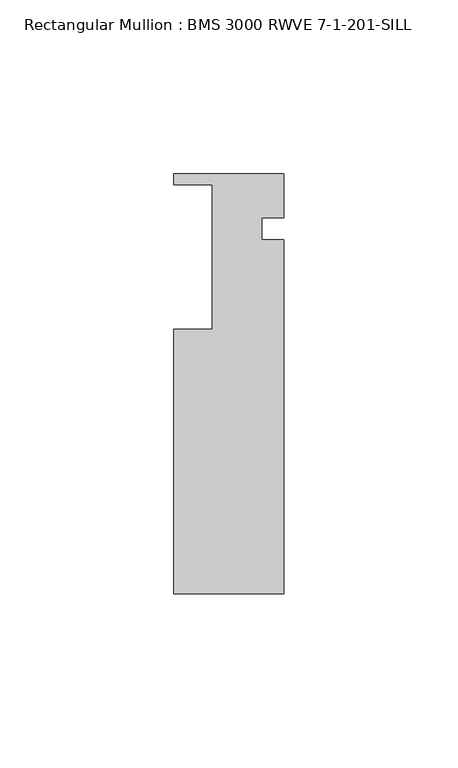
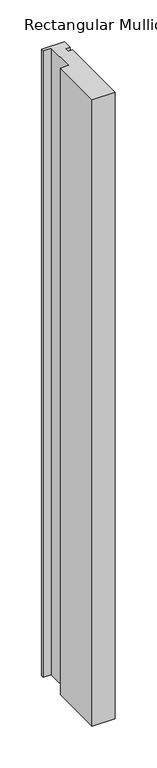
"""IFC4 building model written with IfcOpenShell, lengths in millimetres: member geometry, Rectangular Mullion : BMS 3000 RWVE 7-1-201-SILL."""

import ifcopenshell
import ifcopenshell.guid

model = None  # the IFC model being written
_history = None  # IfcOwnerHistory: only IFC2X3 demands one
_inside = {}  # id of a spatial element -> (the spatial element, [elements in it])
_under = {}  # id of a project, library or spatial element -> (it, [spatial elements below it])
_declared = {}  # id of a project -> (the project, [libraries it declares])
_typed = {}  # id of a type object -> (the type object, [elements of that type])
_made_of = {}  # id of a material, layer set ... -> (it, [elements and type objects made of it])


def new_model(schema):
    """Start an empty IFC model of exactly this schema.

    Asked for "IFC4X3", IfcOpenShell would pick the latest addendum, in which some entities
    have other attributes; the version numbers below select the first issue.
    IFC2X3 requires an IfcOwnerHistory on every rooted entity: one is made here for all.
    """
    global model, _history
    if schema == "IFC4X3":
        model = ifcopenshell.file(schema_version=(4, 3, 0, 0))
    else:
        model = ifcopenshell.file(schema=schema)
    _inside.clear()
    _under.clear()
    _declared.clear()
    _typed.clear()
    _made_of.clear()
    _history = None
    if model.schema == "IFC2X3":
        org = make("IfcOrganization", Name="unknown")
        user = make(
            "IfcPersonAndOrganization",
            ThePerson=make("IfcPerson", FamilyName="unknown"),
            TheOrganization=org,
        )
        app = make(
            "IfcApplication",
            ApplicationDeveloper=org,
            Version="unknown",
            ApplicationFullName="unknown",
            ApplicationIdentifier="unknown",
        )
        _history = make(
            "IfcOwnerHistory",
            OwningUser=user,
            OwningApplication=app,
            ChangeAction="ADDED",
            CreationDate=0,
        )
    return model


def make(cls, **values):
    """One entity of the class cls with the attributes given. An attribute that is None is left unset."""
    return model.create_entity(
        cls, **{name: value for name, value in values.items() if value is not None}
    )


def rooted(cls, **values):
    """An entity with a GlobalId (a new one), such as an element, a storey or a relation."""
    return make(cls, GlobalId=ifcopenshell.guid.new(), OwnerHistory=_history, **values)


def si_unit(unit_type, name, prefix=None):
    """IfcSIUnit, for example si_unit("LENGTHUNIT", "METRE", prefix="MILLI")."""
    return make("IfcSIUnit", UnitType=unit_type, Prefix=prefix, Name=name)


def assignment(units):
    """IfcUnitAssignment: the units of a project."""
    return None if units is None else make("IfcUnitAssignment", Units=units)


def point(xyz):
    """IfcCartesianPoint."""
    return None if xyz is None else make("IfcCartesianPoint", Coordinates=xyz)


def direction(xyz):
    """IfcDirection."""
    return None if xyz is None else make("IfcDirection", DirectionRatios=xyz)


def frame(location, z_axis=None, x_axis=None):
    """IfcAxis2Placement3D, a coordinate frame: its origin and axes. An axis left out is left unset."""
    return make(
        "IfcAxis2Placement3D",
        Location=point(location),
        Axis=direction(z_axis),
        RefDirection=direction(x_axis),
    )


def origin():
    """The frame at (0, 0, 0) with its axes left unset."""
    return frame((0.0, 0.0, 0.0))


def place(relative_to, where):
    """IfcLocalPlacement: puts the frame where relative to a parent placement (None: the world)."""
    return make(
        "IfcLocalPlacement", PlacementRelTo=relative_to, RelativePlacement=where
    )


def context(
    kind, dimensions, precision=None, world=None, true_north=None, identifier=None
):
    """IfcGeometricRepresentationContext, for example the 3D "Model" context."""
    return make(
        "IfcGeometricRepresentationContext",
        ContextIdentifier=identifier,
        ContextType=kind,
        CoordinateSpaceDimension=dimensions,
        Precision=precision,
        WorldCoordinateSystem=world,
        TrueNorth=true_north,
    )


def project(units=None, contexts=None):
    """IfcProject with its units and contexts."""
    return rooted(
        "IfcProject",
        Name="project",
        RepresentationContexts=contexts,
        UnitsInContext=assignment(units),
    )


def spatial(cls, under=None, at=None, **own):
    """A site, building, storey or space (cls), placed at a placement, below another one or the project."""
    s = rooted(cls, ObjectPlacement=at, **own)
    if under is not None:
        _under.setdefault(under.id(), (under, []))[1].append(s)
    return s


def polyline(points):
    """IfcPolyline through the points."""
    return make("IfcPolyline", Points=[point(p) for p in points])


def outline(outer, holes=None, kind="AREA"):
    """IfcArbitraryClosedProfileDef: a profile drawn as a closed curve; with holes, ...WithVoids."""
    if holes is None:
        return make("IfcArbitraryClosedProfileDef", ProfileType=kind, OuterCurve=outer)
    return make(
        "IfcArbitraryProfileDefWithVoids",
        ProfileType=kind,
        OuterCurve=outer,
        InnerCurves=holes,
    )


def extrude(swept, where, along, depth):
    """IfcExtrudedAreaSolid: the profile swept, set in the frame where, extruded along a direction by depth."""
    return make(
        "IfcExtrudedAreaSolid",
        SweptArea=swept,
        Position=where,
        ExtrudedDirection=direction(along),
        Depth=depth,
    )


def shape(context_of_items, identifier, shape_type, items):
    """IfcShapeRepresentation: the items that make up one representation, for example the "Body"."""
    return make(
        "IfcShapeRepresentation",
        ContextOfItems=context_of_items,
        RepresentationIdentifier=identifier,
        RepresentationType=shape_type,
        Items=items,
    )


def source(mapping_origin, context_of_items, identifier, shape_type, items):
    """IfcRepresentationMap: a shape defined once, which mapped items show again and again."""
    return make(
        "IfcRepresentationMap",
        MappingOrigin=mapping_origin,
        MappedRepresentation=shape(context_of_items, identifier, shape_type, items),
    )


def transform(
    local_origin,
    x_axis=None,
    y_axis=None,
    z_axis=None,
    scale=None,
    scale2=None,
    scale3=None,
    uniform=True,
):
    """IfcCartesianTransformationOperator3D, or its non-uniform kind. x_axis, y_axis, z_axis: its Axis1, 2, 3."""
    if uniform:
        return make(
            "IfcCartesianTransformationOperator3D",
            Axis1=direction(x_axis),
            Axis2=direction(y_axis),
            LocalOrigin=point(local_origin),
            Scale=scale,
            Axis3=direction(z_axis),
        )
    return make(
        "IfcCartesianTransformationOperator3DnonUniform",
        Axis1=direction(x_axis),
        Axis2=direction(y_axis),
        LocalOrigin=point(local_origin),
        Scale=scale,
        Axis3=direction(z_axis),
        Scale2=scale2,
        Scale3=scale3,
    )


def mapped(mapping_source, mapping_target):
    """IfcMappedItem: shows the shape of a source again, moved by a transform."""
    return make(
        "IfcMappedItem", MappingSource=mapping_source, MappingTarget=mapping_target
    )


def made_of(thing, what):
    """Note that an element or type object is made of a material, layer set ...; save() writes the relation."""
    if what is not None:
        _made_of.setdefault(what.id(), (what, []))[1].append(thing)
    return thing


def element(
    cls,
    number,
    at=None,
    inside=None,
    cuts=None,
    type_object=None,
    material=None,
    context=None,
    identifier="Body",
    shape_type=None,
    held_by="IfcProductDefinitionShape",
    body=None,
    shapes=None,
    **own,
):
    """One element of the class cls, such as IfcWall. Its Tag is "e" and its number.

    at: its placement. inside: the storey or other place that contains it. cuts: it is an
    opening in that element (IfcRelVoidsElement). A single representation is given by context,
    identifier, shape_type and body (its items); several are given by shapes. held_by: the class
    of the entity that holds the representations. save() writes the other relations.
    """
    e = rooted(cls, Tag="e%d" % number, ObjectPlacement=at, **own)
    if body is not None:
        shapes = [shape(context, identifier, shape_type, body)]
    if shapes is not None:
        e.Representation = make(held_by, Representations=shapes)
    if inside is not None:
        _inside.setdefault(inside.id(), (inside, []))[1].append(e)
    if cuts is not None:
        rooted(
            "IfcRelVoidsElement", RelatingBuildingElement=cuts, RelatedOpeningElement=e
        )
    if type_object is not None:
        _typed.setdefault(type_object.id(), (type_object, []))[1].append(e)
    return made_of(e, material)


def aggregate(whole, parts):
    """IfcRelAggregates: a whole, such as a stair, and the parts it consists of."""
    return rooted("IfcRelAggregates", RelatingObject=whole, RelatedObjects=parts)


def save(model, path):
    """Write the relations noted so far, then the file.

    IfcRelAggregates (storeys below a building ...), IfcRelContainedInSpatialStructure (elements
    in a storey), IfcRelDefinesByType, IfcRelAssociatesMaterial and IfcRelDeclares: one each for
    every whole, place, type object, material and project.
    """
    for whole, parts in _under.values():
        aggregate(whole, parts)
    for where, things in _inside.values():
        rooted(
            "IfcRelContainedInSpatialStructure",
            RelatedElements=things,
            RelatingStructure=where,
        )
    for kind, things in _typed.values():
        rooted("IfcRelDefinesByType", RelatedObjects=things, RelatingType=kind)
    for what, things in _made_of.values():
        rooted("IfcRelAssociatesMaterial", RelatedObjects=things, RelatingMaterial=what)
    for by, libraries in _declared.values():
        rooted("IfcRelDeclares", RelatingContext=by, RelatedDefinitions=libraries)
    model.write(path)


def rectangular_mullion_bms_3000_rwve_7_1_201_sill_91719b21(model_context):
    return source(origin(), model_context, "Body", "SweptSolid", [
        extrude(outline(polyline([(-31.7542023, -127.5957419), (-31.7542023, -51.3953125), (-20.6297451, -51.3953125), (-20.6251503, -9.7663695), (-31.7503502, -9.7651416), (-31.7499998, -6.5901416), (0.0, -6.593646), (-0.0014018, -19.2936459), (-6.3514017, -19.2929451), (-6.3521026, -25.642945), (-0.0021026, -25.6436459), (-0.013356, -127.5992453), (-31.7542023, -127.5957419)])), frame((0.0, 0.0, -914.4), z_axis=(0.0, 0.0, 1.0), x_axis=(1.0, 0.0, 0.0)), (0.0, 0.0, 1.0), 914.4),
    ])


if __name__ == "__main__":
    model = new_model("IFC4")
    model_context = context("Model", 3, world=origin())
    ifc_project = project(units=[si_unit("LENGTHUNIT", "METRE", prefix="MILLI")], contexts=[model_context])
    site = spatial("IfcSite", under=ifc_project)
    building = spatial("IfcBuilding", under=site)
    placement = place(None, origin())
    rectangular_mullion_bms_3000_rwve_7_1_201_sill_shape = rectangular_mullion_bms_3000_rwve_7_1_201_sill_91719b21(model_context)
    element("IfcMember", 1, ObjectType="Rectangular Mullion : BMS 3000 RWVE 7-1-201-SILL", at=placement, inside=building, context=model_context, shape_type="MappedRepresentation", body=[
        mapped(rectangular_mullion_bms_3000_rwve_7_1_201_sill_shape, transform((0.0, 0.0, 0.0), x_axis=(1.0, 0.0, 0.0), y_axis=(0.0, 1.0, 0.0), z_axis=(0.0, 0.0, 1.0))),
    ])
    save(model, "model.ifc")
